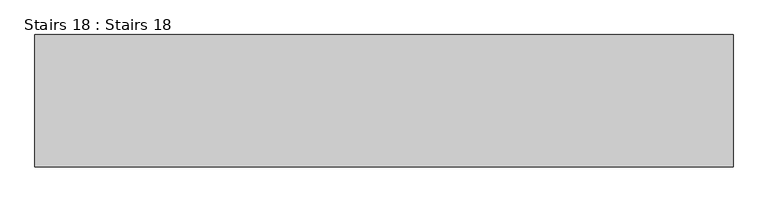
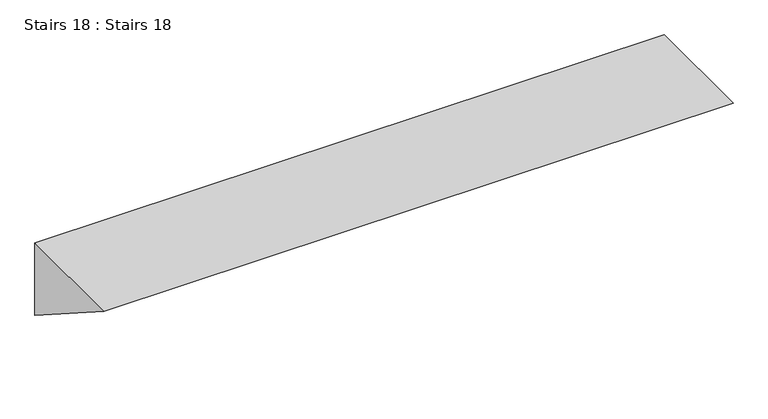
"""IFC4 building model written with IfcOpenShell, lengths in millimetres: stair geometry, Stairs 18 : Stairs 18."""

from ifc_helpers import new_model, si_unit, frame, origin, place, context, project, spatial, polyline, outline, extrude, source, transform, mapped, element, save


def stairs_18_stairs_18_01a03d2a(model_context):
    return source(origin(), model_context, "Body", "SweptSolid", [
        extrude(outline(polyline([(-11679.0672499, -830.0), (-11679.0672499, -1003.850202), (-11950.3381533, -830.0), (-11679.0672499, -830.0)])), frame((-30695.6912908, 0.0, 0.0), z_axis=(1.0, 0.0, 0.0), x_axis=(0.0, 1.0, 0.0)), (0.0, 0.0, 1.0), 1430.0),
    ])


if __name__ == "__main__":
    model = new_model("IFC4")
    model_context = context("Model", 3, world=origin())
    ifc_project = project(units=[si_unit("LENGTHUNIT", "METRE", prefix="MILLI")], contexts=[model_context])
    site = spatial("IfcSite", under=ifc_project)
    building = spatial("IfcBuilding", under=site)
    placement = place(None, origin())
    stairs_18_stairs_18_shape = stairs_18_stairs_18_01a03d2a(model_context)
    element("IfcStair", 1, ObjectType="Stairs 18 : Stairs 18", at=placement, inside=building, context=model_context, shape_type="MappedRepresentation", body=[
        mapped(stairs_18_stairs_18_shape, transform((0.0, 0.0, 0.0), x_axis=(1.0, 0.0, 0.0), y_axis=(0.0, 1.0, 0.0), z_axis=(0.0, 0.0, 1.0))),
    ])
    save(model, "model.ifc")
